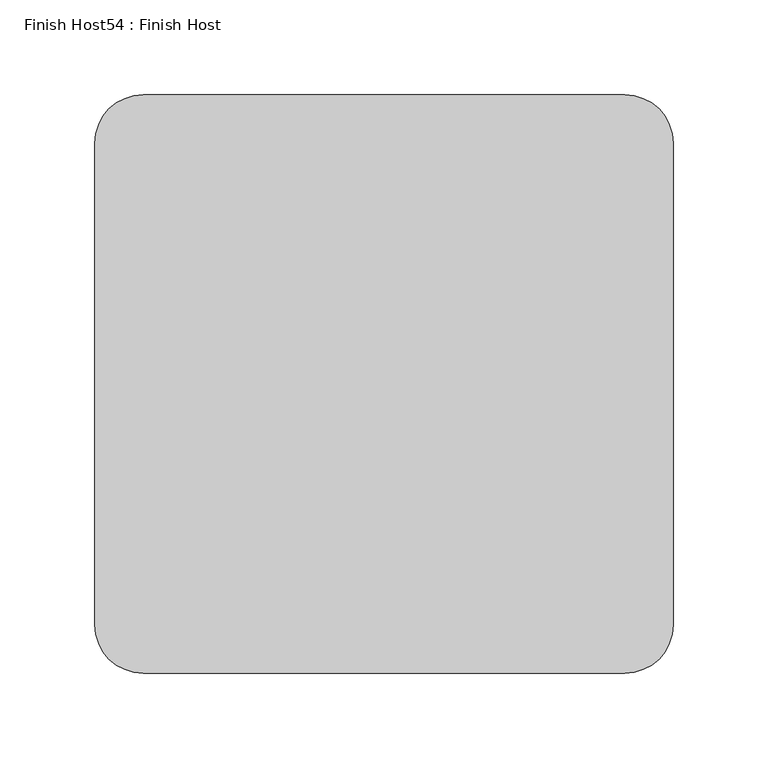
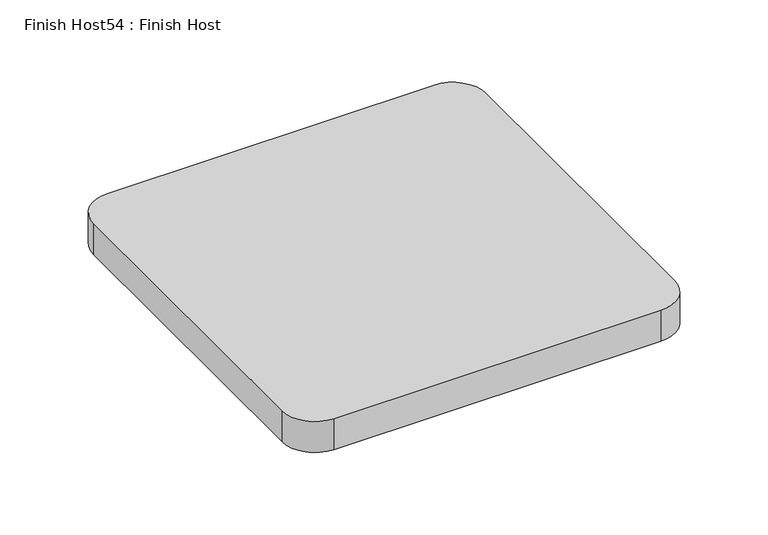
"""IFC4 building model written with IfcOpenShell, lengths in millimetres: proxy geometry, Finish Host54 : Finish Host."""

from ifc_helpers import new_model, si_unit, point, frame_2d, origin, origin_with_axes, place, context, project, spatial, polyline, circle_curve, trimmed, segment, composite_curve, outline, extrude, source, transform, mapped, element, save


def finish_host54_finish_host_1c773aff(model_context):
    return source(origin(), model_context, "Body", "SweptSolid", [
        extrude(outline(composite_curve([segment(polyline([(9928.3478493, 1206.8122951), (9928.3478493, 1460.8122951)]), True, "CONTINUOUS"), segment(trimmed(circle_curve(frame_2d((9953.7478493, 1460.8122951)), 25.4), [point((9928.3478493, 1460.8122951))], [point((9953.7478493, 1486.2122951))], False, "CARTESIAN"), True, "CONTINUOUS"), segment(polyline([(9953.7478493, 1486.2122951), (10207.7478493, 1486.2122951)]), True, "CONTINUOUS"), segment(trimmed(circle_curve(frame_2d((10207.7478493, 1460.8122951)), 25.4), [point((10207.7478493, 1486.2122951))], [point((10233.1478493, 1460.8122951))], False, "CARTESIAN"), True, "CONTINUOUS"), segment(polyline([(10233.1478493, 1460.8122951), (10233.1478493, 1206.8122951)]), True, "CONTINUOUS"), segment(trimmed(circle_curve(frame_2d((10207.7478493, 1206.8122951)), 25.4), [point((10233.1478493, 1206.8122951))], [point((10207.7478493, 1181.4122951))], False, "CARTESIAN"), True, "CONTINUOUS"), segment(polyline([(10207.7478493, 1181.4122951), (9953.7478493, 1181.4122951)]), True, "CONTINUOUS"), segment(trimmed(circle_curve(frame_2d((9953.7478493, 1206.8122951)), 25.4), [point((9953.7478493, 1181.4122951))], [point((9928.3478493, 1206.8122951))], False, "CARTESIAN"), True, "CONTINUOUS")], self_intersect=False)), origin_with_axes(), (0.0, 0.0, 1.0), 25.4),
    ])


if __name__ == "__main__":
    model = new_model("IFC4")
    model_context = context("Model", 3, world=origin())
    ifc_project = project(units=[si_unit("LENGTHUNIT", "METRE", prefix="MILLI")], contexts=[model_context])
    site = spatial("IfcSite", under=ifc_project)
    building = spatial("IfcBuilding", under=site)
    placement = place(None, origin())
    finish_host54_finish_host_shape = finish_host54_finish_host_1c773aff(model_context)
    element("IfcBuildingElementProxy", 1, Name="Finish Host54 : Finish Host", ObjectType="Finish Host54 : Finish Host", at=placement, inside=building, context=model_context, shape_type="MappedRepresentation", body=[
        mapped(finish_host54_finish_host_shape, transform((0.0, 0.0, 0.0), x_axis=(1.0, 0.0, 0.0), y_axis=(0.0, 1.0, 0.0), z_axis=(0.0, 0.0, 1.0))),
    ])
    save(model, "model.ifc")
